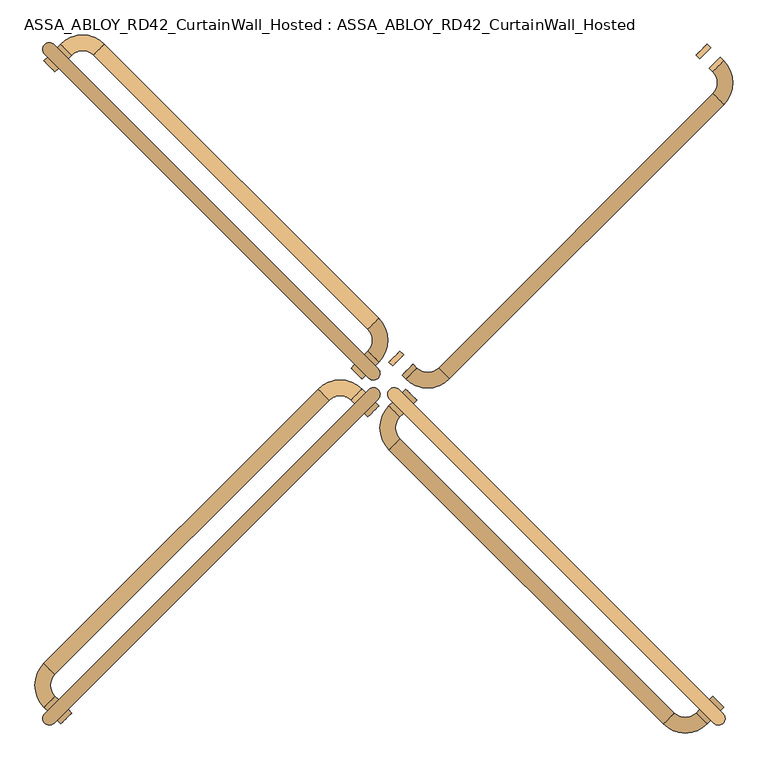
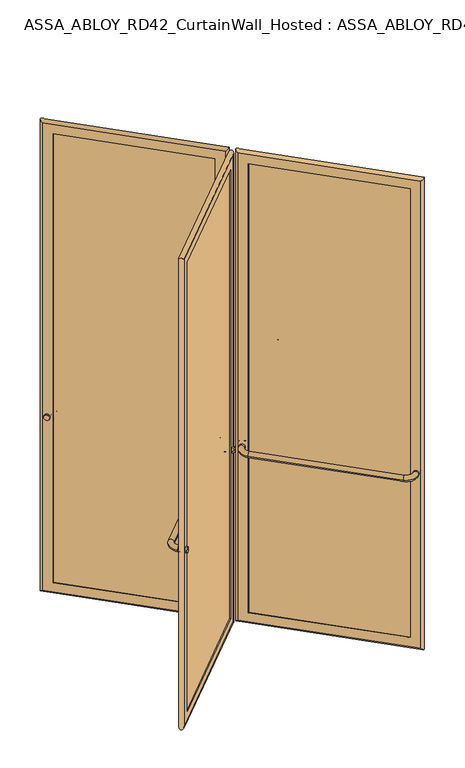
"""IFC4 building model written with IfcOpenShell, lengths in millimetres: door geometry, ASSA_ABLOY_RD42_CurtainWall_Hosted : ASSA_ABLOY_RD42_CurtainWall_Hosted."""

from ifc_helpers import new_model, si_unit, point, frame, origin, origin_2d, place, context, project, spatial, polyline, circle_curve, ellipse_curve, trimmed, segment, composite_curve, outline, extrude, source, transform, mapped, element, save
from ifc_brep_helpers import plane_surface, cylinder_surface, revolved_surface, advanced_brep


def assa_abloy_rd42_curtainwall_hosted_assa_abloy_rd42_0b4f3f18(model_context):
    return source(origin(), model_context, "Body", "SolidModel", [
        extrude(outline(composite_curve([segment(trimmed(circle_curve(origin_2d(), 15.0), [point((0.0, 15.0))], [point((0.0, -15.0))], False, "CARTESIAN"), True, "CONTINUOUS"), segment(trimmed(circle_curve(origin_2d(), 15.0), [point((0.0, -15.0))], [point((0.0, 15.0))], False, "CARTESIAN"), True, "CONTINUOUS")], self_intersect=False)), frame((642.0529573, -623.668181, 1050.0), z_axis=(0.7071067811865496, 0.7071067811865455, 0.0), x_axis=(0.0, 0.0, 1.0)), (0.0, 0.0, 1.0), 10.0),
        extrude(outline(composite_curve([segment(trimmed(circle_curve(origin_2d(), 15.0), [point((0.0, 15.0))], [point((0.0, -15.0))], False, "CARTESIAN"), True, "CONTINUOUS"), segment(trimmed(circle_curve(origin_2d(), 15.0), [point((0.0, -15.0))], [point((0.0, 15.0))], False, "CARTESIAN"), True, "CONTINUOUS")], self_intersect=False)), frame((45.9619408, -27.5771645, 1050.0), z_axis=(0.7071067811865496, 0.7071067811865455, 0.0), x_axis=(0.0, 0.0, 1.0)), (0.0, 0.0, 1.0), 10.0),
        advanced_brep(
        [(16.9705627, -35.3553391, 1050.0), (38.1837662, -56.5685425, 1050.0), (9.8994949, -42.4264069, 1050.0), (31.1126984, -63.6396103, 1050.0), (31.1126984, -106.0660172, 1050.0), (9.8994949, -127.2792206, 1050.0), (542.3509012, -659.7306268, 1050.0), (563.5641046, -638.5174234, 1050.0), (605.9905115, -638.5174234, 1050.0), (627.2037149, -659.7306268, 1050.0), (634.2747827, -652.659559, 1050.0), (613.0615793, -631.4463556, 1050.0)],
        [
            (0, 1, circle_curve(frame((27.5771645, -45.9619408, 1050.0), z_axis=(0.7071067811865497, 0.7071067811865456, 0.0), x_axis=(0.7071067811865456, -0.7071067811865497, 0.0)), 15.0)),
            (1, 0, circle_curve(frame((27.5771645, -45.9619408, 1050.0), z_axis=(0.7071067811865497, 0.7071067811865456, 0.0), x_axis=(0.7071067811865456, -0.7071067811865497, 0.0)), 15.0)),
            (0, 2),
            (2, 3, circle_curve(frame((20.5060967, -53.0330086, 1050.0), z_axis=(0.7071067811865497, 0.7071067811865456, 0.0), x_axis=(0.7071067811865456, -0.7071067811865497, 0.0)), 15.0)),
            (3, 1),
            (3, 2, circle_curve(frame((20.5060967, -53.0330086, 1050.0), z_axis=(0.7071067811865497, 0.7071067811865456, 0.0), x_axis=(0.7071067811865456, -0.7071067811865497, 0.0)), 15.0)),
            (4, 3, circle_curve(frame((52.3259018, -84.8528137, 1050.0), z_axis=(0.0, 0.0, -1.0), x_axis=(-0.707106781186541, 0.7071067811865542, 0.0)), 30.0)),
            (2, 5, circle_curve(frame((52.3259018, -84.8528137, 1050.0), z_axis=(0.0, 0.0, 1.0), x_axis=(-0.707106781186541, 0.7071067811865542, 0.0)), 60.0)),
            (5, 4, circle_curve(frame((20.5060967, -116.6726189, 1050.0), z_axis=(-0.7071067811865127, 0.7071067811865825, 0.0), x_axis=(0.7071067811865825, 0.7071067811865127, 0.0)), 15.0)),
            (4, 5, circle_curve(frame((20.5060967, -116.6726189, 1050.0), z_axis=(-0.707106781186487, 0.7071067811866083, 0.0), x_axis=(0.7071067811866083, 0.707106781186487, 0.0)), 15.0)),
            (5, 6),
            (6, 7, circle_curve(frame((552.9575029, -649.1240251, 1050.0), z_axis=(-0.7071067811865456, 0.7071067811865497, 0.0), x_axis=(0.7071067811865497, 0.7071067811865456, 0.0)), 15.0)),
            (7, 4),
            (7, 6, circle_curve(frame((552.9575029, -649.1240251, 1050.0), z_axis=(-0.7071067811865456, 0.7071067811865497, 0.0), x_axis=(0.7071067811865497, 0.7071067811865456, 0.0)), 15.0)),
            (8, 7, circle_curve(frame((584.777308, -617.30422, 1050.0), z_axis=(0.0, 0.0, -1.0), x_axis=(-0.7071067811865539, -0.7071067811865414, 0.0)), 30.0)),
            (6, 9, circle_curve(frame((584.777308, -617.30422, 1050.0), z_axis=(0.0, 0.0, 1.0), x_axis=(-0.7071067811865539, -0.7071067811865414, 0.0)), 60.0)),
            (9, 8, circle_curve(frame((616.5971132, -649.1240251, 1050.0), z_axis=(-0.7071067811865512, -0.707106781186544, 0.0), x_axis=(-0.707106781186544, 0.7071067811865512, 0.0)), 15.0)),
            (8, 9, circle_curve(frame((616.5971132, -649.1240251, 1050.0), z_axis=(-0.707106781186553, -0.7071067811865422, 0.0), x_axis=(-0.7071067811865422, 0.707106781186553, 0.0)), 15.0)),
            (10, 11, circle_curve(frame((623.668181, -642.0529573, 1050.0), z_axis=(0.7071067811865497, 0.7071067811865456, 0.0), x_axis=(-0.7071067811865456, 0.7071067811865497, 0.0)), 15.0)),
            (11, 10, circle_curve(frame((623.668181, -642.0529573, 1050.0), z_axis=(0.7071067811865497, 0.7071067811865456, 0.0), x_axis=(-0.7071067811865456, 0.7071067811865497, 0.0)), 15.0)),
            (9, 10),
            (11, 8),
        ],
        [
            plane_surface(frame((27.5771645, -45.9619408, 1050.0), z_axis=(0.7071067811865496, 0.7071067811865455, 0.0), x_axis=(0.0, 0.0, 1.0))),
            cylinder_surface(frame((27.5771645, -45.9619408, 1050.0), z_axis=(0.7071067811865497, 0.7071067811865456, 0.0), x_axis=(0.7071067811865456, -0.7071067811865497, 0.0)), 15.0),
            revolved_surface(trimmed(ellipse_curve(frame((20.5060967, -53.0330086, 1050.0), z_axis=(0.7071067811865542, 0.707106781186541, 0.0), x_axis=(0.707106781186541, -0.7071067811865542, 0.0)), 15.0, 15.0), [point((9.8994949, -42.4264069, 1050.0))], [point((31.1126984, -63.6396103, 1050.0))], True, "CARTESIAN"), (52.3259018, -84.8528137, 1050.0), (0.0, 0.0, 1.0)),
            revolved_surface(trimmed(ellipse_curve(frame((20.5060967, -53.0330086, 1050.0), z_axis=(0.7071067811865542, 0.707106781186541, 0.0), x_axis=(0.707106781186541, -0.7071067811865542, 0.0)), 15.0, 15.0), [point((31.1126984, -63.6396103, 1050.0))], [point((9.8994949, -42.4264069, 1050.0))], True, "CARTESIAN"), (52.3259018, -84.8528137, 1050.0), (0.0, 0.0, 1.0)),
            cylinder_surface(frame((20.5060967, -116.6726189, 1050.0), z_axis=(-0.7071067811865456, 0.7071067811865497, 0.0), x_axis=(0.7071067811865497, 0.7071067811865456, 0.0)), 15.0),
            revolved_surface(trimmed(ellipse_curve(frame((552.9575029, -649.1240251, 1050.0), z_axis=(-0.7071067811865414, 0.7071067811865539, 0.0), x_axis=(0.7071067811865539, 0.7071067811865414, 0.0)), 15.0, 15.0), [point((542.3509012, -659.7306268, 1050.0))], [point((563.5641046, -638.5174234, 1050.0))], True, "CARTESIAN"), (584.777308, -617.30422, 1050.0), (0.0, 0.0, 1.0)),
            revolved_surface(trimmed(ellipse_curve(frame((552.9575029, -649.1240251, 1050.0), z_axis=(-0.7071067811865414, 0.7071067811865539, 0.0), x_axis=(0.7071067811865539, 0.7071067811865414, 0.0)), 15.0, 15.0), [point((563.5641046, -638.5174234, 1050.0))], [point((542.3509012, -659.7306268, 1050.0))], True, "CARTESIAN"), (584.777308, -617.30422, 1050.0), (0.0, 0.0, 1.0)),
            plane_surface(frame((623.668181, -642.0529573, 1050.0), z_axis=(0.7071067811865496, 0.7071067811865455, 0.0), x_axis=(0.0, 0.0, 1.0))),
            cylinder_surface(frame((616.5971132, -649.1240251, 1050.0), z_axis=(-0.7071067811865497, -0.7071067811865456, 0.0), x_axis=(-0.7071067811865456, 0.7071067811865497, 0.0)), 15.0),
        ],
        [
            (0, [[1, 2]]),
            (1, [[-1, 3, 4, 5]]),
            (1, [[-2, -5, 6, -3]]),
            (2, [[7, -4, 8, 9]]),
            (3, [[-8, -6, -7, 10]]),
            (4, [[-9, 11, 12, 13]]),
            (4, [[-10, -13, 14, -11]]),
            (5, [[15, -12, 16, 17]]),
            (6, [[-16, -14, -15, 18]]),
            (7, [[19, 20]]),
            (8, [[-17, 21, -20, 22]]),
            (8, [[-18, -22, -19, -21]]),
        ],
    ),
        advanced_brep(
        [(605.2834047, -619.4255403, 105.0), (603.1620844, -621.5468607, 105.0), (603.1620844, -621.5468607, 2673.0), (605.2834047, -619.4255403, 2673.0), (633.5676759, -619.4255403, 85.0), (619.4255403, -633.5676759, 85.0), (619.4255403, -633.5676759, 2693.0), (633.5676759, -619.4255403, 2693.0), (621.5468607, -603.1620844, 105.0), (619.4255403, -605.2834047, 105.0), (619.4255403, -605.2834047, 2673.0), (621.5468607, -603.1620844, 2673.0), (639.931637, -658.3164133, 53.0), (658.3164133, -639.931637, 53.0), (658.3164133, -639.931637, 2725.0), (639.931637, -658.3164133, 2725.0), (48.0832611, -66.4680374, 2673.0), (50.2045815, -64.3467171, 2673.0), (36.0624458, -50.2045815, 2693.0), (50.2045815, -36.0624458, 2693.0), (64.3467171, -50.2045815, 2673.0), (66.4680374, -48.0832611, 2673.0), (29.6984848, -11.3137085, 2725.0), (11.3137085, -29.6984848, 2725.0), (48.0832611, -66.4680374, 105.0), (50.2045815, -64.3467171, 105.0), (36.0624458, -50.2045815, 85.0), (50.2045815, -36.0624458, 85.0), (64.3467171, -50.2045815, 105.0), (66.4680374, -48.0832611, 105.0), (29.6984848, -11.3137085, 53.0), (11.3137085, -29.6984848, 53.0)],
        [
            (0, 1),
            (1, 2),
            (2, 3),
            (3, 0),
            (4, 5),
            (5, 6),
            (6, 7),
            (7, 4),
            (8, 9),
            (9, 10),
            (10, 11),
            (11, 8),
            (12, 13, ellipse_curve(frame((649.1240251, -649.1240251, 53.0), z_axis=(0.4999999999999917, -0.5000000000000084, 0.7071067811865475), x_axis=(0.5000000000000054, -0.4999999999999945, -0.7071067811865476)), 18.3847763, 13.0)),
            (13, 14),
            (14, 15, ellipse_curve(frame((649.1240251, -649.1240251, 2725.0), z_axis=(0.5000000000000054, -0.49999999999999456, -0.7071067811865475), x_axis=(-0.4999999999999915, 0.5000000000000083, -0.7071067811865476)), 18.3847763, 13.0)),
            (15, 12),
            (2, 16),
            (16, 17),
            (17, 3),
            (6, 18),
            (18, 19),
            (19, 7),
            (10, 20),
            (20, 21),
            (21, 11),
            (14, 22),
            (22, 23, ellipse_curve(frame((20.5060967, -20.5060967, 2725.0), z_axis=(0.4999999999999917, -0.5000000000000084, 0.7071067811865475), x_axis=(0.5000000000000054, -0.4999999999999945, -0.7071067811865476)), 18.3847763, 13.0)),
            (23, 15),
            (16, 24),
            (24, 25),
            (25, 17),
            (18, 26),
            (26, 27),
            (27, 19),
            (20, 28),
            (28, 29),
            (29, 21),
            (22, 30),
            (30, 31, ellipse_curve(frame((20.5060967, -20.5060967, 53.0), z_axis=(-0.5000000000000054, 0.49999999999999456, 0.7071067811865475), x_axis=(0.4999999999999915, -0.5000000000000083, 0.7071067811865476)), 18.3847763, 13.0)),
            (31, 23),
            (24, 1),
            (0, 25),
            (5, 26),
            (4, 27),
            (9, 28),
            (8, 29),
            (13, 30),
            (12, 31),
        ],
        [
            plane_surface(frame((603.1620844, -621.5468607, 105.0), z_axis=(-0.7071067811865437, 0.7071067811865513, 0.0), x_axis=(0.0, 0.0, 1.0))),
            plane_surface(frame((619.4255403, -633.5676759, 85.0), z_axis=(-0.7071067811865452, 0.7071067811865498, 0.0), x_axis=(0.0, 0.0, 1.0))),
            plane_surface(frame((619.4255403, -605.2834047, 105.0), z_axis=(-0.7071067811865437, 0.7071067811865513, 0.0), x_axis=(0.0, 0.0, 1.0))),
            cylinder_surface(frame((649.1240251, -649.1240251, 40.0), z_axis=(0.0, 0.0, -1.0), x_axis=(-0.7071067811865456, 0.7071067811865497, 0.0)), 13.0),
            plane_surface(frame((603.1620844, -621.5468607, 2673.0), z_axis=(0.0, 0.0, -1.0), x_axis=(-0.7071067811865455, 0.7071067811865496, 0.0))),
            plane_surface(frame((619.4255403, -633.5676759, 2693.0), z_axis=(0.0, 0.0, -1.0), x_axis=(-0.7071067811865455, 0.7071067811865496, 0.0))),
            plane_surface(frame((619.4255403, -605.2834047, 2673.0), z_axis=(0.0, 0.0, -1.0), x_axis=(-0.7071067811865455, 0.7071067811865496, 0.0))),
            cylinder_surface(frame((658.3164133, -658.3164133, 2725.0), z_axis=(0.7071067811865456, -0.7071067811865497, 0.0), x_axis=(0.0, 0.0, -1.0)), 13.0),
            plane_surface(frame((48.0832611, -66.4680374, 2673.0), z_axis=(0.7071067811865472, -0.7071067811865478, 0.0), x_axis=(0.0, 0.0, -1.0))),
            plane_surface(frame((36.0624458, -50.2045815, 2693.0), z_axis=(0.7071067811865457, -0.7071067811865493, 0.0), x_axis=(0.0, 0.0, -1.0))),
            plane_surface(frame((64.3467171, -50.2045815, 2673.0), z_axis=(0.7071067811865472, -0.7071067811865478, 0.0), x_axis=(0.0, 0.0, -1.0))),
            cylinder_surface(frame((20.5060967, -20.5060967, 2738.0), z_axis=(0.0, 0.0, 1.0), x_axis=(0.7071067811865456, -0.7071067811865497, 0.0)), 13.0),
            plane_surface(frame((48.0832611, -66.4680374, 105.0), z_axis=(0.0, 0.0, 1.0), x_axis=(0.7071067811865455, -0.7071067811865496, 0.0))),
            plane_surface(frame((50.2045815, -64.3467171, 105.0), z_axis=(0.7071067811865496, 0.7071067811865455, 0.0), x_axis=(0.7071067811865455, -0.7071067811865496, 0.0))),
            plane_surface(frame((36.0624458, -50.2045815, 85.0), z_axis=(0.0, 0.0, 1.0), x_axis=(0.7071067811865455, -0.7071067811865496, 0.0))),
            plane_surface(frame((50.2045815, -36.0624458, 85.0), z_axis=(-0.7071067811865496, -0.7071067811865455, 0.0), x_axis=(0.7071067811865455, -0.7071067811865496, 0.0))),
            plane_surface(frame((64.3467171, -50.2045815, 105.0), z_axis=(0.0, 0.0, 1.0), x_axis=(0.7071067811865455, -0.7071067811865496, 0.0))),
            plane_surface(frame((66.4680374, -48.0832611, 105.0), z_axis=(0.7071067811865496, 0.7071067811865455, 0.0), x_axis=(0.7071067811865455, -0.7071067811865496, 0.0))),
            cylinder_surface(frame((11.3137085, -11.3137085, 53.0), z_axis=(-0.7071067811865456, 0.7071067811865497, 0.0), x_axis=(0.0, 0.0, 1.0)), 13.0),
            plane_surface(frame((11.3137085, -29.6984848, 53.0), z_axis=(-0.7071067811865496, -0.7071067811865455, 0.0), x_axis=(0.7071067811865455, -0.7071067811865496, 0.0))),
        ],
        [
            (0, [[1, 2, 3, 4]]),
            (1, [[5, 6, 7, 8]]),
            (2, [[9, 10, 11, 12]]),
            (3, [[13, 14, 15, 16]]),
            (4, [[-3, 17, 18, 19]]),
            (5, [[-7, 20, 21, 22]]),
            (6, [[-11, 23, 24, 25]]),
            (7, [[-15, 26, 27, 28]]),
            (8, [[-18, 29, 30, 31]]),
            (9, [[-21, 32, 33, 34]]),
            (10, [[-24, 35, 36, 37]]),
            (11, [[-27, 38, 39, 40]]),
            (12, [[-30, 41, -1, 42]]),
            (13, [[43, -32, -20, -6], [-19, -31, -42, -4]]),
            (14, [[-33, -43, -5, 44]]),
            (15, [[-22, -34, -44, -8], [45, -35, -23, -10]]),
            (16, [[-36, -45, -9, 46]]),
            (17, [[47, -38, -26, -14], [-25, -37, -46, -12]]),
            (18, [[-39, -47, -13, 48]]),
            (19, [[-28, -40, -48, -16], [-41, -29, -17, -2]]),
        ],
    ),
        extrude(outline(polyline([(630.032142, -622.9610742), (622.9610742, -630.032142), (39.5979797, -46.6690476), (46.6690476, -39.5979797), (630.032142, -622.9610742)])), frame((0.0, 0.0, 85.0), z_axis=(0.0, 0.0, 1.0), x_axis=(1.0, 0.0, 0.0)), (0.0, 0.0, 1.0), 2608.0),
        extrude(outline(composite_curve([segment(trimmed(circle_curve(origin_2d(), 15.0), [point((0.0, -15.0))], [point((0.0, 15.0))], False, "CARTESIAN"), True, "CONTINUOUS"), segment(trimmed(circle_curve(origin_2d(), 15.0), [point((0.0, 15.0))], [point((0.0, -15.0))], False, "CARTESIAN"), True, "CONTINUOUS")], self_intersect=False)), frame((-616.5971132, -649.1240251, 1050.0), z_axis=(-0.7071067811865447, 0.7071067811865503, 0.0), x_axis=(0.0, 0.0, 1.0)), (0.0, 0.0, 1.0), 10.0),
        extrude(outline(composite_curve([segment(trimmed(circle_curve(origin_2d(), 15.0), [point((0.0, -15.0))], [point((0.0, 15.0))], False, "CARTESIAN"), True, "CONTINUOUS"), segment(trimmed(circle_curve(origin_2d(), 15.0), [point((0.0, 15.0))], [point((0.0, -15.0))], False, "CARTESIAN"), True, "CONTINUOUS")], self_intersect=False)), frame((-20.5060967, -53.0330086, 1050.0), z_axis=(-0.7071067811865447, 0.7071067811865503, 0.0), x_axis=(0.0, 0.0, 1.0)), (0.0, 0.0, 1.0), 10.0),
        advanced_brep(
        [(-35.3553391, -16.9705627, 1050.0), (-56.5685425, -38.1837662, 1050.0), (-42.4264069, -9.8994949, 1050.0), (-63.6396103, -31.1126984, 1050.0), (-106.0660172, -31.1126984, 1050.0), (-127.2792206, -9.8994949, 1050.0), (-659.7306268, -542.3509012, 1050.0), (-638.5174234, -563.5641046, 1050.0), (-638.5174234, -605.9905115, 1050.0), (-659.7306268, -627.2037149, 1050.0), (-652.659559, -634.2747827, 1050.0), (-631.4463556, -613.0615793, 1050.0)],
        [
            (0, 1, circle_curve(frame((-45.9619408, -27.5771645, 1050.0), z_axis=(0.7071067811865447, -0.7071067811865503, 0.0), x_axis=(-0.7071067811865503, -0.7071067811865447, 0.0)), 15.0)),
            (1, 0, circle_curve(frame((-45.9619408, -27.5771645, 1050.0), z_axis=(0.7071067811865447, -0.7071067811865503, 0.0), x_axis=(-0.7071067811865503, -0.7071067811865447, 0.0)), 15.0)),
            (0, 2),
            (2, 3, circle_curve(frame((-53.0330086, -20.5060967, 1050.0), z_axis=(0.7071067811865447, -0.7071067811865503, 0.0), x_axis=(-0.7071067811865503, -0.7071067811865447, 0.0)), 15.0)),
            (3, 1),
            (3, 2, circle_curve(frame((-53.0330086, -20.5060967, 1050.0), z_axis=(0.7071067811865447, -0.7071067811865503, 0.0), x_axis=(-0.7071067811865503, -0.7071067811865447, 0.0)), 15.0)),
            (4, 3, circle_curve(frame((-84.8528137, -52.3259018, 1050.0), z_axis=(0.0, 0.0, -1.0), x_axis=(0.7071067811865549, 0.7071067811865401, 0.0)), 30.0)),
            (2, 5, circle_curve(frame((-84.8528137, -52.3259018, 1050.0), z_axis=(0.0, 0.0, 1.0), x_axis=(0.7071067811865549, 0.7071067811865401, 0.0)), 60.0)),
            (5, 4, circle_curve(frame((-116.6726189, -20.5060967, 1050.0), z_axis=(0.7071067811865832, 0.7071067811865118, 0.0), x_axis=(0.7071067811865118, -0.7071067811865832, 0.0)), 15.0)),
            (4, 5, circle_curve(frame((-116.6726189, -20.5060967, 1050.0), z_axis=(0.707106781186609, 0.7071067811864861, 0.0), x_axis=(0.7071067811864861, -0.707106781186609, 0.0)), 15.0)),
            (5, 6),
            (6, 7, circle_curve(frame((-649.1240251, -552.9575029, 1050.0), z_axis=(0.7071067811865503, 0.7071067811865447, 0.0), x_axis=(0.7071067811865447, -0.7071067811865503, 0.0)), 15.0)),
            (7, 4),
            (7, 6, circle_curve(frame((-649.1240251, -552.9575029, 1050.0), z_axis=(0.7071067811865503, 0.7071067811865447, 0.0), x_axis=(0.7071067811865447, -0.7071067811865503, 0.0)), 15.0)),
            (8, 7, circle_curve(frame((-617.30422, -584.777308, 1050.0), z_axis=(0.0, 0.0, -1.0), x_axis=(-0.7071067811865405, 0.7071067811865546, 0.0)), 30.0)),
            (6, 9, circle_curve(frame((-617.30422, -584.777308, 1050.0), z_axis=(0.0, 0.0, 1.0), x_axis=(-0.7071067811865405, 0.7071067811865546, 0.0)), 60.0)),
            (9, 8, circle_curve(frame((-649.1240251, -616.5971132, 1050.0), z_axis=(-0.7071067811865431, 0.7071067811865519, 0.0), x_axis=(0.7071067811865519, 0.7071067811865431, 0.0)), 15.0)),
            (8, 9, circle_curve(frame((-649.1240251, -616.5971132, 1050.0), z_axis=(-0.7071067811865414, 0.7071067811865537, 0.0), x_axis=(0.7071067811865537, 0.7071067811865414, 0.0)), 15.0)),
            (10, 11, circle_curve(frame((-642.0529573, -623.668181, 1050.0), z_axis=(0.7071067811865447, -0.7071067811865503, 0.0), x_axis=(0.7071067811865503, 0.7071067811865447, 0.0)), 15.0)),
            (11, 10, circle_curve(frame((-642.0529573, -623.668181, 1050.0), z_axis=(0.7071067811865447, -0.7071067811865503, 0.0), x_axis=(0.7071067811865503, 0.7071067811865447, 0.0)), 15.0)),
            (9, 10),
            (11, 8),
        ],
        [
            plane_surface(frame((-45.9619408, -27.5771645, 1050.0), z_axis=(0.7071067811865447, -0.7071067811865503, 0.0), x_axis=(0.0, 0.0, 1.0))),
            cylinder_surface(frame((-45.9619408, -27.5771645, 1050.0), z_axis=(0.7071067811865447, -0.7071067811865503, 0.0), x_axis=(-0.7071067811865503, -0.7071067811865447, 0.0)), 15.0),
            revolved_surface(trimmed(ellipse_curve(frame((-53.0330086, -20.5060967, 1050.0), z_axis=(0.7071067811865401, -0.7071067811865549, 0.0), x_axis=(-0.7071067811865549, -0.7071067811865401, 0.0)), 15.0, 15.0), [point((-42.4264069, -9.8994949, 1050.0))], [point((-63.6396103, -31.1126984, 1050.0))], True, "CARTESIAN"), (-84.8528137, -52.3259018, 1050.0), (0.0, 0.0, 1.0)),
            revolved_surface(trimmed(ellipse_curve(frame((-53.0330086, -20.5060967, 1050.0), z_axis=(0.7071067811865401, -0.7071067811865549, 0.0), x_axis=(-0.7071067811865549, -0.7071067811865401, 0.0)), 15.0, 15.0), [point((-63.6396103, -31.1126984, 1050.0))], [point((-42.4264069, -9.8994949, 1050.0))], True, "CARTESIAN"), (-84.8528137, -52.3259018, 1050.0), (0.0, 0.0, 1.0)),
            cylinder_surface(frame((-116.6726189, -20.5060967, 1050.0), z_axis=(0.7071067811865503, 0.7071067811865447, 0.0), x_axis=(0.7071067811865447, -0.7071067811865503, 0.0)), 15.0),
            revolved_surface(trimmed(ellipse_curve(frame((-649.1240251, -552.9575029, 1050.0), z_axis=(0.7071067811865546, 0.7071067811865405, 0.0), x_axis=(0.7071067811865405, -0.7071067811865546, 0.0)), 15.0, 15.0), [point((-659.7306268, -542.3509012, 1050.0))], [point((-638.5174234, -563.5641046, 1050.0))], True, "CARTESIAN"), (-617.30422, -584.777308, 1050.0), (0.0, 0.0, 1.0)),
            revolved_surface(trimmed(ellipse_curve(frame((-649.1240251, -552.9575029, 1050.0), z_axis=(0.7071067811865546, 0.7071067811865405, 0.0), x_axis=(0.7071067811865405, -0.7071067811865546, 0.0)), 15.0, 15.0), [point((-638.5174234, -563.5641046, 1050.0))], [point((-659.7306268, -542.3509012, 1050.0))], True, "CARTESIAN"), (-617.30422, -584.777308, 1050.0), (0.0, 0.0, 1.0)),
            plane_surface(frame((-642.0529573, -623.668181, 1050.0), z_axis=(0.7071067811865447, -0.7071067811865503, 0.0), x_axis=(0.0, 0.0, 1.0))),
            cylinder_surface(frame((-649.1240251, -616.5971132, 1050.0), z_axis=(-0.7071067811865447, 0.7071067811865503, 0.0), x_axis=(0.7071067811865503, 0.7071067811865447, 0.0)), 15.0),
        ],
        [
            (0, [[1, 2]]),
            (1, [[-1, 3, 4, 5]]),
            (1, [[-2, -5, 6, -3]]),
            (2, [[7, -4, 8, 9]]),
            (3, [[-8, -6, -7, 10]]),
            (4, [[-9, 11, 12, 13]]),
            (4, [[-10, -13, 14, -11]]),
            (5, [[15, -12, 16, 17]]),
            (6, [[-16, -14, -15, 18]]),
            (7, [[19, 20]]),
            (8, [[-17, 21, -20, 22]]),
            (8, [[-18, -22, -19, -21]]),
        ],
    ),
        advanced_brep(
        [(-619.4255403, -605.2834047, 105.0), (-621.5468607, -603.1620844, 105.0), (-621.5468607, -603.1620844, 2673.0), (-619.4255403, -605.2834047, 2673.0), (-619.4255403, -633.5676759, 85.0), (-633.5676759, -619.4255403, 85.0), (-633.5676759, -619.4255403, 2693.0), (-619.4255403, -633.5676759, 2693.0), (-603.1620844, -621.5468607, 105.0), (-605.2834047, -619.4255403, 105.0), (-605.2834047, -619.4255403, 2673.0), (-603.1620844, -621.5468607, 2673.0), (-658.3164133, -639.931637, 53.0), (-639.931637, -658.3164133, 53.0), (-639.931637, -658.3164133, 2725.0), (-658.3164133, -639.931637, 2725.0), (-66.4680374, -48.0832611, 2673.0), (-64.3467171, -50.2045815, 2673.0), (-50.2045815, -36.0624458, 2693.0), (-36.0624458, -50.2045815, 2693.0), (-50.2045815, -64.3467171, 2673.0), (-48.0832611, -66.4680374, 2673.0), (-11.3137085, -29.6984848, 2725.0), (-29.6984848, -11.3137085, 2725.0), (-66.4680374, -48.0832611, 105.0), (-64.3467171, -50.2045815, 105.0), (-50.2045815, -36.0624458, 85.0), (-36.0624458, -50.2045815, 85.0), (-50.2045815, -64.3467171, 105.0), (-48.0832611, -66.4680374, 105.0), (-11.3137085, -29.6984848, 53.0), (-29.6984848, -11.3137085, 53.0)],
        [
            (0, 1),
            (1, 2),
            (2, 3),
            (3, 0),
            (4, 5),
            (5, 6),
            (6, 7),
            (7, 4),
            (8, 9),
            (9, 10),
            (10, 11),
            (11, 8),
            (12, 13, ellipse_curve(frame((-649.1240251, -649.1240251, 53.0), z_axis=(-0.5000000000000089, -0.49999999999999106, 0.7071067811865475), x_axis=(-0.49999999999999495, -0.5000000000000048, -0.7071067811865476)), 18.3847763, 13.0)),
            (13, 14),
            (14, 15, ellipse_curve(frame((-649.1240251, -649.1240251, 2725.0), z_axis=(-0.49999999999999506, -0.5000000000000049, -0.7071067811865475), x_axis=(0.5000000000000088, 0.49999999999999095, -0.7071067811865476)), 18.3847763, 13.0)),
            (15, 12),
            (2, 16),
            (16, 17),
            (17, 3),
            (6, 18),
            (18, 19),
            (19, 7),
            (10, 20),
            (20, 21),
            (21, 11),
            (14, 22),
            (22, 23, ellipse_curve(frame((-20.5060967, -20.5060967, 2725.0), z_axis=(-0.5000000000000089, -0.49999999999999106, 0.7071067811865475), x_axis=(-0.4999999999999951, -0.5000000000000049, -0.7071067811865474)), 18.3847763, 13.0)),
            (23, 15),
            (16, 24),
            (24, 25),
            (25, 17),
            (18, 26),
            (26, 27),
            (27, 19),
            (20, 28),
            (28, 29),
            (29, 21),
            (22, 30),
            (30, 31, ellipse_curve(frame((-20.5060967, -20.5060967, 53.0), z_axis=(0.49999999999999506, 0.5000000000000049, 0.7071067811865475), x_axis=(-0.5000000000000088, -0.49999999999999095, 0.7071067811865476)), 18.3847763, 13.0)),
            (31, 23),
            (24, 1),
            (0, 25),
            (5, 26),
            (4, 27),
            (9, 28),
            (8, 29),
            (13, 30),
            (12, 31),
        ],
        [
            plane_surface(frame((-621.5468607, -603.1620844, 105.0), z_axis=(0.7071067811865521, 0.7071067811865429, 0.0), x_axis=(0.0, 0.0, 1.0))),
            plane_surface(frame((-633.5676759, -619.4255403, 85.0), z_axis=(0.7071067811865506, 0.7071067811865445, 0.0), x_axis=(0.0, 0.0, 1.0))),
            plane_surface(frame((-605.2834047, -619.4255403, 105.0), z_axis=(0.7071067811865521, 0.7071067811865429, 0.0), x_axis=(0.0, 0.0, 1.0))),
            cylinder_surface(frame((-649.1240251, -649.1240251, 40.0), z_axis=(0.0, 0.0, -1.0), x_axis=(0.7071067811865503, 0.7071067811865447, 0.0)), 13.0),
            plane_surface(frame((-621.5468607, -603.1620844, 2673.0), z_axis=(0.0, 0.0, -1.0), x_axis=(0.7071067811865503, 0.7071067811865447, 0.0))),
            plane_surface(frame((-633.5676759, -619.4255403, 2693.0), z_axis=(0.0, 0.0, -1.0), x_axis=(0.7071067811865503, 0.7071067811865447, 0.0))),
            plane_surface(frame((-605.2834047, -619.4255403, 2673.0), z_axis=(0.0, 0.0, -1.0), x_axis=(0.7071067811865503, 0.7071067811865447, 0.0))),
            cylinder_surface(frame((-658.3164133, -658.3164133, 2725.0), z_axis=(-0.7071067811865503, -0.7071067811865447, 0.0), x_axis=(0.0, 0.0, -1.0)), 13.0),
            plane_surface(frame((-66.4680374, -48.0832611, 2673.0), z_axis=(-0.7071067811865486, -0.7071067811865465, 0.0), x_axis=(0.0, 0.0, -1.0))),
            plane_surface(frame((-50.2045815, -36.0624458, 2693.0), z_axis=(-0.7071067811865501, -0.7071067811865449, 0.0), x_axis=(0.0, 0.0, -1.0))),
            plane_surface(frame((-50.2045815, -64.3467171, 2673.0), z_axis=(-0.7071067811865486, -0.7071067811865465, 0.0), x_axis=(0.0, 0.0, -1.0))),
            cylinder_surface(frame((-20.5060967, -20.5060967, 2738.0), z_axis=(0.0, 0.0, 1.0), x_axis=(-0.7071067811865503, -0.7071067811865447, 0.0)), 13.0),
            plane_surface(frame((-66.4680374, -48.0832611, 105.0), z_axis=(0.0, 0.0, 1.0), x_axis=(-0.7071067811865503, -0.7071067811865447, 0.0))),
            plane_surface(frame((-64.3467171, -50.2045815, 105.0), z_axis=(0.7071067811865447, -0.7071067811865503, 0.0), x_axis=(-0.7071067811865503, -0.7071067811865447, 0.0))),
            plane_surface(frame((-50.2045815, -36.0624458, 85.0), z_axis=(0.0, 0.0, 1.0), x_axis=(-0.7071067811865503, -0.7071067811865447, 0.0))),
            plane_surface(frame((-36.0624458, -50.2045815, 85.0), z_axis=(-0.7071067811865447, 0.7071067811865503, 0.0), x_axis=(-0.7071067811865503, -0.7071067811865447, 0.0))),
            plane_surface(frame((-50.2045815, -64.3467171, 105.0), z_axis=(0.0, 0.0, 1.0), x_axis=(-0.7071067811865503, -0.7071067811865447, 0.0))),
            plane_surface(frame((-48.0832611, -66.4680374, 105.0), z_axis=(0.7071067811865447, -0.7071067811865503, 0.0), x_axis=(-0.7071067811865503, -0.7071067811865447, 0.0))),
            cylinder_surface(frame((-11.3137085, -11.3137085, 53.0), z_axis=(0.7071067811865503, 0.7071067811865447, 0.0), x_axis=(0.0, 0.0, 1.0)), 13.0),
            plane_surface(frame((-29.6984848, -11.3137085, 53.0), z_axis=(-0.7071067811865447, 0.7071067811865503, 0.0), x_axis=(-0.7071067811865503, -0.7071067811865447, 0.0))),
        ],
        [
            (0, [[1, 2, 3, 4]]),
            (1, [[5, 6, 7, 8]]),
            (2, [[9, 10, 11, 12]]),
            (3, [[13, 14, 15, 16]]),
            (4, [[-3, 17, 18, 19]]),
            (5, [[-7, 20, 21, 22]]),
            (6, [[-11, 23, 24, 25]]),
            (7, [[-15, 26, 27, 28]]),
            (8, [[-18, 29, 30, 31]]),
            (9, [[-21, 32, 33, 34]]),
            (10, [[-24, 35, 36, 37]]),
            (11, [[-27, 38, 39, 40]]),
            (12, [[-30, 41, -1, 42]]),
            (13, [[43, -32, -20, -6], [-19, -31, -42, -4]]),
            (14, [[-33, -43, -5, 44]]),
            (15, [[-22, -34, -44, -8], [45, -35, -23, -10]]),
            (16, [[-36, -45, -9, 46]]),
            (17, [[47, -38, -26, -14], [-25, -37, -46, -12]]),
            (18, [[-39, -47, -13, 48]]),
            (19, [[-28, -40, -48, -16], [-41, -29, -17, -2]]),
        ],
    ),
        extrude(outline(polyline([(-622.9610742, -630.032142), (-630.032142, -622.9610742), (-46.6690476, -39.5979797), (-39.5979797, -46.6690476), (-622.9610742, -630.032142)])), frame((0.0, 0.0, 85.0), z_axis=(0.0, 0.0, 1.0), x_axis=(1.0, 0.0, 0.0)), (0.0, 0.0, 1.0), 2608.0),
        extrude(outline(composite_curve([segment(trimmed(circle_curve(origin_2d(), 15.0), [point((0.0, -15.0))], [point((0.0, 15.0))], False, "CARTESIAN"), True, "CONTINUOUS"), segment(trimmed(circle_curve(origin_2d(), 15.0), [point((0.0, 15.0))], [point((0.0, -15.0))], False, "CARTESIAN"), True, "CONTINUOUS")], self_intersect=False)), frame((-649.1240251, 616.5971132, 1050.0), z_axis=(0.70710678118655, 0.707106781186545, 0.0), x_axis=(0.0, 0.0, 1.0)), (0.0, 0.0, 1.0), 10.0),
        extrude(outline(composite_curve([segment(trimmed(circle_curve(origin_2d(), 15.0), [point((0.0, -15.0))], [point((0.0, 15.0))], False, "CARTESIAN"), True, "CONTINUOUS"), segment(trimmed(circle_curve(origin_2d(), 15.0), [point((0.0, 15.0))], [point((0.0, -15.0))], False, "CARTESIAN"), True, "CONTINUOUS")], self_intersect=False)), frame((-53.0330086, 20.5060967, 1050.0), z_axis=(0.70710678118655, 0.707106781186545, 0.0), x_axis=(0.0, 0.0, 1.0)), (0.0, 0.0, 1.0), 10.0),
        advanced_brep(
        [(-16.9705627, 35.3553391, 1050.0), (-38.1837662, 56.5685425, 1050.0), (-9.8994949, 42.4264069, 1050.0), (-31.1126984, 63.6396103, 1050.0), (-31.1126984, 106.0660172, 1050.0), (-9.8994949, 127.2792206, 1050.0), (-542.3509012, 659.7306268, 1050.0), (-563.5641046, 638.5174234, 1050.0), (-605.9905115, 638.5174234, 1050.0), (-627.2037149, 659.7306268, 1050.0), (-634.2747827, 652.659559, 1050.0), (-613.0615793, 631.4463556, 1050.0)],
        [
            (0, 1, circle_curve(frame((-27.5771645, 45.9619408, 1050.0), z_axis=(-0.70710678118655, -0.707106781186545, 0.0), x_axis=(-0.707106781186545, 0.70710678118655, 0.0)), 15.0)),
            (1, 0, circle_curve(frame((-27.5771645, 45.9619408, 1050.0), z_axis=(-0.70710678118655, -0.707106781186545, 0.0), x_axis=(-0.707106781186545, 0.70710678118655, 0.0)), 15.0)),
            (0, 2),
            (2, 3, circle_curve(frame((-20.5060967, 53.0330086, 1050.0), z_axis=(-0.70710678118655, -0.707106781186545, 0.0), x_axis=(-0.707106781186545, 0.70710678118655, 0.0)), 15.0)),
            (3, 1),
            (3, 2, circle_curve(frame((-20.5060967, 53.0330086, 1050.0), z_axis=(-0.70710678118655, -0.707106781186545, 0.0), x_axis=(-0.707106781186545, 0.70710678118655, 0.0)), 15.0)),
            (4, 3, circle_curve(frame((-52.3259018, 84.8528137, 1050.0), z_axis=(0.0, 0.0, -1.0), x_axis=(0.7071067811865405, -0.7071067811865546, 0.0)), 30.0)),
            (2, 5, circle_curve(frame((-52.3259018, 84.8528137, 1050.0), z_axis=(0.0, 0.0, 1.0), x_axis=(0.7071067811865405, -0.7071067811865546, 0.0)), 60.0)),
            (5, 4, circle_curve(frame((-20.5060967, 116.6726189, 1050.0), z_axis=(0.7071067811865122, -0.7071067811865829, 0.0), x_axis=(-0.7071067811865829, -0.7071067811865122, 0.0)), 15.0)),
            (4, 5, circle_curve(frame((-20.5060967, 116.6726189, 1050.0), z_axis=(0.7071067811864864, -0.7071067811866086, 0.0), x_axis=(-0.7071067811866086, -0.7071067811864864, 0.0)), 15.0)),
            (5, 6),
            (6, 7, circle_curve(frame((-552.9575029, 649.1240251, 1050.0), z_axis=(0.707106781186545, -0.70710678118655, 0.0), x_axis=(-0.70710678118655, -0.707106781186545, 0.0)), 15.0)),
            (7, 4),
            (7, 6, circle_curve(frame((-552.9575029, 649.1240251, 1050.0), z_axis=(0.707106781186545, -0.70710678118655, 0.0), x_axis=(-0.70710678118655, -0.707106781186545, 0.0)), 15.0)),
            (8, 7, circle_curve(frame((-584.777308, 617.30422, 1050.0), z_axis=(0.0, 0.0, -1.0), x_axis=(0.7071067811865543, 0.7071067811865407, 0.0)), 30.0)),
            (6, 9, circle_curve(frame((-584.777308, 617.30422, 1050.0), z_axis=(0.0, 0.0, 1.0), x_axis=(0.7071067811865543, 0.7071067811865407, 0.0)), 60.0)),
            (9, 8, circle_curve(frame((-616.5971132, 649.1240251, 1050.0), z_axis=(0.7071067811865517, 0.7071067811865434, 0.0), x_axis=(0.7071067811865434, -0.7071067811865517, 0.0)), 15.0)),
            (8, 9, circle_curve(frame((-616.5971132, 649.1240251, 1050.0), z_axis=(0.7071067811865535, 0.7071067811865416, 0.0), x_axis=(0.7071067811865416, -0.7071067811865535, 0.0)), 15.0)),
            (10, 11, circle_curve(frame((-623.668181, 642.0529573, 1050.0), z_axis=(-0.70710678118655, -0.707106781186545, 0.0), x_axis=(0.707106781186545, -0.70710678118655, 0.0)), 15.0)),
            (11, 10, circle_curve(frame((-623.668181, 642.0529573, 1050.0), z_axis=(-0.70710678118655, -0.707106781186545, 0.0), x_axis=(0.707106781186545, -0.70710678118655, 0.0)), 15.0)),
            (9, 10),
            (11, 8),
        ],
        [
            plane_surface(frame((-27.5771645, 45.9619408, 1050.0), z_axis=(-0.70710678118655, -0.707106781186545, 0.0), x_axis=(0.0, 0.0, 1.0))),
            cylinder_surface(frame((-27.5771645, 45.9619408, 1050.0), z_axis=(-0.70710678118655, -0.707106781186545, 0.0), x_axis=(-0.707106781186545, 0.70710678118655, 0.0)), 15.0),
            revolved_surface(trimmed(ellipse_curve(frame((-20.5060967, 53.0330086, 1050.0), z_axis=(-0.7071067811865546, -0.7071067811865405, 0.0), x_axis=(-0.7071067811865405, 0.7071067811865546, 0.0)), 15.0, 15.0), [point((-9.8994949, 42.4264069, 1050.0))], [point((-31.1126984, 63.6396103, 1050.0))], True, "CARTESIAN"), (-52.3259018, 84.8528137, 1050.0), (0.0, 0.0, 1.0)),
            revolved_surface(trimmed(ellipse_curve(frame((-20.5060967, 53.0330086, 1050.0), z_axis=(-0.7071067811865546, -0.7071067811865405, 0.0), x_axis=(-0.7071067811865405, 0.7071067811865546, 0.0)), 15.0, 15.0), [point((-31.1126984, 63.6396103, 1050.0))], [point((-9.8994949, 42.4264069, 1050.0))], True, "CARTESIAN"), (-52.3259018, 84.8528137, 1050.0), (0.0, 0.0, 1.0)),
            cylinder_surface(frame((-20.5060967, 116.6726189, 1050.0), z_axis=(0.707106781186545, -0.70710678118655, 0.0), x_axis=(-0.70710678118655, -0.707106781186545, 0.0)), 15.0),
            revolved_surface(trimmed(ellipse_curve(frame((-552.9575029, 649.1240251, 1050.0), z_axis=(0.7071067811865407, -0.7071067811865543, 0.0), x_axis=(-0.7071067811865543, -0.7071067811865407, 0.0)), 15.0, 15.0), [point((-542.3509012, 659.7306268, 1050.0))], [point((-563.5641046, 638.5174234, 1050.0))], True, "CARTESIAN"), (-584.777308, 617.30422, 1050.0), (0.0, 0.0, 1.0)),
            revolved_surface(trimmed(ellipse_curve(frame((-552.9575029, 649.1240251, 1050.0), z_axis=(0.7071067811865407, -0.7071067811865543, 0.0), x_axis=(-0.7071067811865543, -0.7071067811865407, 0.0)), 15.0, 15.0), [point((-563.5641046, 638.5174234, 1050.0))], [point((-542.3509012, 659.7306268, 1050.0))], True, "CARTESIAN"), (-584.777308, 617.30422, 1050.0), (0.0, 0.0, 1.0)),
            plane_surface(frame((-623.668181, 642.0529573, 1050.0), z_axis=(-0.70710678118655, -0.707106781186545, 0.0), x_axis=(0.0, 0.0, 1.0))),
            cylinder_surface(frame((-616.5971132, 649.1240251, 1050.0), z_axis=(0.70710678118655, 0.707106781186545, 0.0), x_axis=(0.707106781186545, -0.70710678118655, 0.0)), 15.0),
        ],
        [
            (0, [[1, 2]]),
            (1, [[-1, 3, 4, 5]]),
            (1, [[-2, -5, 6, -3]]),
            (2, [[7, -4, 8, 9]]),
            (3, [[-8, -6, -7, 10]]),
            (4, [[-9, 11, 12, 13]]),
            (4, [[-10, -13, 14, -11]]),
            (5, [[15, -12, 16, 17]]),
            (6, [[-16, -14, -15, 18]]),
            (7, [[19, 20]]),
            (8, [[-17, 21, -20, 22]]),
            (8, [[-18, -22, -19, -21]]),
        ],
    ),
        advanced_brep(
        [(-605.2834047, 619.4255403, 105.0), (-603.1620844, 621.5468607, 105.0), (-603.1620844, 621.5468607, 2673.0), (-605.2834047, 619.4255403, 2673.0), (-633.5676759, 619.4255403, 85.0), (-619.4255403, 633.5676759, 85.0), (-619.4255403, 633.5676759, 2693.0), (-633.5676759, 619.4255403, 2693.0), (-621.5468607, 603.1620844, 105.0), (-619.4255403, 605.2834047, 105.0), (-619.4255403, 605.2834047, 2673.0), (-621.5468607, 603.1620844, 2673.0), (-639.931637, 658.3164133, 53.0), (-658.3164133, 639.931637, 53.0), (-658.3164133, 639.931637, 2725.0), (-639.931637, 658.3164133, 2725.0), (-48.0832611, 66.4680374, 2673.0), (-50.2045815, 64.3467171, 2673.0), (-36.0624458, 50.2045815, 2693.0), (-50.2045815, 36.0624458, 2693.0), (-64.3467171, 50.2045815, 2673.0), (-66.4680374, 48.0832611, 2673.0), (-29.6984848, 11.3137085, 2725.0), (-11.3137085, 29.6984848, 2725.0), (-48.0832611, 66.4680374, 105.0), (-50.2045815, 64.3467171, 105.0), (-36.0624458, 50.2045815, 85.0), (-50.2045815, 36.0624458, 85.0), (-64.3467171, 50.2045815, 105.0), (-66.4680374, 48.0832611, 105.0), (-29.6984848, 11.3137085, 53.0), (-11.3137085, 29.6984848, 53.0)],
        [
            (0, 1),
            (1, 2),
            (2, 3),
            (3, 0),
            (4, 5),
            (5, 6),
            (6, 7),
            (7, 4),
            (8, 9),
            (9, 10),
            (10, 11),
            (11, 8),
            (12, 13, ellipse_curve(frame((-649.1240251, 649.1240251, 53.0), z_axis=(-0.4999999999999913, 0.5000000000000087, 0.7071067811865475), x_axis=(-0.500000000000005, 0.4999999999999947, -0.7071067811865476)), 18.3847763, 13.0)),
            (13, 14),
            (14, 15, ellipse_curve(frame((-649.1240251, 649.1240251, 2725.0), z_axis=(-0.5000000000000051, 0.4999999999999948, -0.7071067811865475), x_axis=(0.4999999999999912, -0.5000000000000085, -0.7071067811865476)), 18.3847763, 13.0)),
            (15, 12),
            (2, 16),
            (16, 17),
            (17, 3),
            (6, 18),
            (18, 19),
            (19, 7),
            (10, 20),
            (20, 21),
            (21, 11),
            (14, 22),
            (22, 23, ellipse_curve(frame((-20.5060967, 20.5060967, 2725.0), z_axis=(-0.4999999999999913, 0.5000000000000087, 0.7071067811865475), x_axis=(-0.5000000000000052, 0.49999999999999495, -0.7071067811865475)), 18.3847763, 13.0)),
            (23, 15),
            (16, 24),
            (24, 25),
            (25, 17),
            (18, 26),
            (26, 27),
            (27, 19),
            (20, 28),
            (28, 29),
            (29, 21),
            (22, 30),
            (30, 31, ellipse_curve(frame((-20.5060967, 20.5060967, 53.0), z_axis=(0.5000000000000051, -0.4999999999999948, 0.7071067811865475), x_axis=(-0.4999999999999912, 0.5000000000000085, 0.7071067811865476)), 18.3847763, 13.0)),
            (31, 23),
            (24, 1),
            (0, 25),
            (5, 26),
            (4, 27),
            (9, 28),
            (8, 29),
            (13, 30),
            (12, 31),
        ],
        [
            plane_surface(frame((-603.1620844, 621.5468607, 105.0), z_axis=(0.7071067811865432, -0.7071067811865518, 0.0), x_axis=(0.0, 0.0, 1.0))),
            plane_surface(frame((-619.4255403, 633.5676759, 85.0), z_axis=(0.7071067811865448, -0.7071067811865502, 0.0), x_axis=(0.0, 0.0, 1.0))),
            plane_surface(frame((-619.4255403, 605.2834047, 105.0), z_axis=(0.7071067811865432, -0.7071067811865518, 0.0), x_axis=(0.0, 0.0, 1.0))),
            cylinder_surface(frame((-649.1240251, 649.1240251, 40.0), z_axis=(0.0, 0.0, -1.0), x_axis=(0.707106781186545, -0.70710678118655, 0.0)), 13.0),
            plane_surface(frame((-603.1620844, 621.5468607, 2673.0), z_axis=(0.0, 0.0, -1.0), x_axis=(0.707106781186545, -0.70710678118655, 0.0))),
            plane_surface(frame((-619.4255403, 633.5676759, 2693.0), z_axis=(0.0, 0.0, -1.0), x_axis=(0.707106781186545, -0.70710678118655, 0.0))),
            plane_surface(frame((-619.4255403, 605.2834047, 2673.0), z_axis=(0.0, 0.0, -1.0), x_axis=(0.707106781186545, -0.70710678118655, 0.0))),
            cylinder_surface(frame((-658.3164133, 658.3164133, 2725.0), z_axis=(-0.707106781186545, 0.70710678118655, 0.0), x_axis=(0.0, 0.0, -1.0)), 13.0),
            plane_surface(frame((-48.0832611, 66.4680374, 2673.0), z_axis=(-0.7071067811865468, 0.7071067811865482, 0.0), x_axis=(0.0, 0.0, -1.0))),
            plane_surface(frame((-36.0624458, 50.2045815, 2693.0), z_axis=(-0.7071067811865452, 0.7071067811865498, 0.0), x_axis=(0.0, 0.0, -1.0))),
            plane_surface(frame((-64.3467171, 50.2045815, 2673.0), z_axis=(-0.7071067811865468, 0.7071067811865482, 0.0), x_axis=(0.0, 0.0, -1.0))),
            cylinder_surface(frame((-20.5060967, 20.5060967, 2738.0), z_axis=(0.0, 0.0, 1.0), x_axis=(-0.707106781186545, 0.70710678118655, 0.0)), 13.0),
            plane_surface(frame((-48.0832611, 66.4680374, 105.0), z_axis=(0.0, 0.0, 1.0), x_axis=(-0.707106781186545, 0.70710678118655, 0.0))),
            plane_surface(frame((-50.2045815, 64.3467171, 105.0), z_axis=(-0.70710678118655, -0.707106781186545, 0.0), x_axis=(-0.707106781186545, 0.70710678118655, 0.0))),
            plane_surface(frame((-36.0624458, 50.2045815, 85.0), z_axis=(0.0, 0.0, 1.0), x_axis=(-0.707106781186545, 0.70710678118655, 0.0))),
            plane_surface(frame((-50.2045815, 36.0624458, 85.0), z_axis=(0.70710678118655, 0.707106781186545, 0.0), x_axis=(-0.707106781186545, 0.70710678118655, 0.0))),
            plane_surface(frame((-64.3467171, 50.2045815, 105.0), z_axis=(0.0, 0.0, 1.0), x_axis=(-0.707106781186545, 0.70710678118655, 0.0))),
            plane_surface(frame((-66.4680374, 48.0832611, 105.0), z_axis=(-0.70710678118655, -0.707106781186545, 0.0), x_axis=(-0.707106781186545, 0.70710678118655, 0.0))),
            cylinder_surface(frame((-11.3137085, 11.3137085, 53.0), z_axis=(0.707106781186545, -0.70710678118655, 0.0), x_axis=(0.0, 0.0, 1.0)), 13.0),
            plane_surface(frame((-11.3137085, 29.6984848, 53.0), z_axis=(0.70710678118655, 0.707106781186545, 0.0), x_axis=(-0.707106781186545, 0.70710678118655, 0.0))),
        ],
        [
            (0, [[1, 2, 3, 4]]),
            (1, [[5, 6, 7, 8]]),
            (2, [[9, 10, 11, 12]]),
            (3, [[13, 14, 15, 16]]),
            (4, [[-3, 17, 18, 19]]),
            (5, [[-7, 20, 21, 22]]),
            (6, [[-11, 23, 24, 25]]),
            (7, [[-15, 26, 27, 28]]),
            (8, [[-18, 29, 30, 31]]),
            (9, [[-21, 32, 33, 34]]),
            (10, [[-24, 35, 36, 37]]),
            (11, [[-27, 38, 39, 40]]),
            (12, [[-30, 41, -1, 42]]),
            (13, [[43, -32, -20, -6], [-19, -31, -42, -4]]),
            (14, [[-33, -43, -5, 44]]),
            (15, [[-22, -34, -44, -8], [45, -35, -23, -10]]),
            (16, [[-36, -45, -9, 46]]),
            (17, [[47, -38, -26, -14], [-25, -37, -46, -12]]),
            (18, [[-39, -47, -13, 48]]),
            (19, [[-28, -40, -48, -16], [-41, -29, -17, -2]]),
        ],
    ),
        extrude(outline(polyline([(-630.032142, 622.9610742), (-622.9610742, 630.032142), (-39.5979797, 46.6690476), (-46.6690476, 39.5979797), (-630.032142, 622.9610742)])), frame((0.0, 0.0, 85.0), z_axis=(0.0, 0.0, 1.0), x_axis=(1.0, 0.0, 0.0)), (0.0, 0.0, 1.0), 2608.0),
        extrude(outline(composite_curve([segment(trimmed(circle_curve(origin_2d(), 15.0), [point((0.0, 15.0))], [point((0.0, -15.0))], False, "CARTESIAN"), True, "CONTINUOUS"), segment(trimmed(circle_curve(origin_2d(), 15.0), [point((0.0, -15.0))], [point((0.0, 15.0))], False, "CARTESIAN"), True, "CONTINUOUS")], self_intersect=False)), frame((623.668181, 642.0529573, 1050.0), z_axis=(-0.7071067811865469, 0.7071067811865481, 0.0), x_axis=(0.0, 0.0, 1.0)), (0.0, 0.0, 1.0), 10.0),
        extrude(outline(composite_curve([segment(trimmed(circle_curve(origin_2d(), 15.0), [point((0.0, 15.0))], [point((0.0, -15.0))], False, "CARTESIAN"), True, "CONTINUOUS"), segment(trimmed(circle_curve(origin_2d(), 15.0), [point((0.0, -15.0))], [point((0.0, 15.0))], False, "CARTESIAN"), True, "CONTINUOUS")], self_intersect=False)), frame((27.5771645, 45.9619408, 1050.0), z_axis=(-0.7071067811865469, 0.7071067811865481, 0.0), x_axis=(0.0, 0.0, 1.0)), (0.0, 0.0, 1.0), 10.0),
        advanced_brep(
        [(35.3553391, 16.9705627, 1050.0), (56.5685425, 38.1837662, 1050.0), (42.4264069, 9.8994949, 1050.0), (63.6396103, 31.1126984, 1050.0), (106.0660172, 31.1126984, 1050.0), (127.2792206, 9.8994949, 1050.0), (659.7306268, 542.3509012, 1050.0), (638.5174234, 563.5641046, 1050.0), (638.5174234, 605.9905115, 1050.0), (659.7306268, 627.2037149, 1050.0), (652.659559, 634.2747827, 1050.0), (631.4463556, 613.0615793, 1050.0)],
        [
            (0, 1, circle_curve(frame((45.9619408, 27.5771645, 1050.0), z_axis=(-0.7071067811865469, 0.7071067811865481, 0.0), x_axis=(0.7071067811865481, 0.7071067811865469, 0.0)), 15.0)),
            (1, 0, circle_curve(frame((45.9619408, 27.5771645, 1050.0), z_axis=(-0.7071067811865469, 0.7071067811865481, 0.0), x_axis=(0.7071067811865481, 0.7071067811865469, 0.0)), 15.0)),
            (0, 2),
            (2, 3, circle_curve(frame((53.0330086, 20.5060967, 1050.0), z_axis=(-0.7071067811865469, 0.7071067811865481, 0.0), x_axis=(0.7071067811865481, 0.7071067811865469, 0.0)), 15.0)),
            (3, 1),
            (3, 2, circle_curve(frame((53.0330086, 20.5060967, 1050.0), z_axis=(-0.7071067811865469, 0.7071067811865481, 0.0), x_axis=(0.7071067811865481, 0.7071067811865469, 0.0)), 15.0)),
            (4, 3, circle_curve(frame((84.8528137, 52.3259018, 1050.0), z_axis=(0.0, 0.0, -1.0), x_axis=(-0.7071067811865527, -0.7071067811865424, 0.0)), 30.0)),
            (2, 5, circle_curve(frame((84.8528137, 52.3259018, 1050.0), z_axis=(0.0, 0.0, 1.0), x_axis=(-0.7071067811865527, -0.7071067811865424, 0.0)), 60.0)),
            (5, 4, circle_curve(frame((116.6726189, 20.5060967, 1050.0), z_axis=(-0.707106781186581, -0.707106781186514, 0.0), x_axis=(-0.707106781186514, 0.707106781186581, 0.0)), 15.0)),
            (4, 5, circle_curve(frame((116.6726189, 20.5060967, 1050.0), z_axis=(-0.7071067811866067, -0.7071067811864883, 0.0), x_axis=(-0.7071067811864883, 0.7071067811866067, 0.0)), 15.0)),
            (5, 6),
            (6, 7, circle_curve(frame((649.1240251, 552.9575029, 1050.0), z_axis=(-0.7071067811865481, -0.7071067811865469, 0.0), x_axis=(-0.7071067811865469, 0.7071067811865481, 0.0)), 15.0)),
            (7, 4),
            (7, 6, circle_curve(frame((649.1240251, 552.9575029, 1050.0), z_axis=(-0.7071067811865481, -0.7071067811865469, 0.0), x_axis=(-0.7071067811865469, 0.7071067811865481, 0.0)), 15.0)),
            (8, 7, circle_curve(frame((617.30422, 584.777308, 1050.0), z_axis=(0.0, 0.0, -1.0), x_axis=(0.7071067811865426, -0.7071067811865525, 0.0)), 30.0)),
            (6, 9, circle_curve(frame((617.30422, 584.777308, 1050.0), z_axis=(0.0, 0.0, 1.0), x_axis=(0.7071067811865426, -0.7071067811865525, 0.0)), 60.0)),
            (9, 8, circle_curve(frame((649.1240251, 616.5971132, 1050.0), z_axis=(0.7071067811865452, -0.7071067811865498, 0.0), x_axis=(-0.7071067811865498, -0.7071067811865452, 0.0)), 15.0)),
            (8, 9, circle_curve(frame((649.1240251, 616.5971132, 1050.0), z_axis=(0.7071067811865435, -0.7071067811865516, 0.0), x_axis=(-0.7071067811865516, -0.7071067811865435, 0.0)), 15.0)),
            (10, 11, circle_curve(frame((642.0529573, 623.668181, 1050.0), z_axis=(-0.7071067811865469, 0.7071067811865481, 0.0), x_axis=(-0.7071067811865481, -0.7071067811865469, 0.0)), 15.0)),
            (11, 10, circle_curve(frame((642.0529573, 623.668181, 1050.0), z_axis=(-0.7071067811865469, 0.7071067811865481, 0.0), x_axis=(-0.7071067811865481, -0.7071067811865469, 0.0)), 15.0)),
            (9, 10),
            (11, 8),
        ],
        [
            plane_surface(frame((45.9619408, 27.5771645, 1050.0), z_axis=(-0.7071067811865469, 0.7071067811865481, 0.0), x_axis=(0.0, 0.0, 1.0))),
            cylinder_surface(frame((45.9619408, 27.5771645, 1050.0), z_axis=(-0.7071067811865469, 0.7071067811865481, 0.0), x_axis=(0.7071067811865481, 0.7071067811865469, 0.0)), 15.0),
            revolved_surface(trimmed(ellipse_curve(frame((53.0330086, 20.5060967, 1050.0), z_axis=(-0.7071067811865424, 0.7071067811865527, 0.0), x_axis=(0.7071067811865527, 0.7071067811865424, 0.0)), 15.0, 15.0), [point((42.4264069, 9.8994949, 1050.0))], [point((63.6396103, 31.1126984, 1050.0))], True, "CARTESIAN"), (84.8528137, 52.3259018, 1050.0), (0.0, 0.0, 1.0)),
            revolved_surface(trimmed(ellipse_curve(frame((53.0330086, 20.5060967, 1050.0), z_axis=(-0.7071067811865424, 0.7071067811865527, 0.0), x_axis=(0.7071067811865527, 0.7071067811865424, 0.0)), 15.0, 15.0), [point((63.6396103, 31.1126984, 1050.0))], [point((42.4264069, 9.8994949, 1050.0))], True, "CARTESIAN"), (84.8528137, 52.3259018, 1050.0), (0.0, 0.0, 1.0)),
            cylinder_surface(frame((116.6726189, 20.5060967, 1050.0), z_axis=(-0.7071067811865481, -0.7071067811865469, 0.0), x_axis=(-0.7071067811865469, 0.7071067811865481, 0.0)), 15.0),
            revolved_surface(trimmed(ellipse_curve(frame((649.1240251, 552.9575029, 1050.0), z_axis=(-0.7071067811865525, -0.7071067811865426, 0.0), x_axis=(-0.7071067811865426, 0.7071067811865525, 0.0)), 15.0, 15.0), [point((659.7306268, 542.3509012, 1050.0))], [point((638.5174234, 563.5641046, 1050.0))], True, "CARTESIAN"), (617.30422, 584.777308, 1050.0), (0.0, 0.0, 1.0)),
            revolved_surface(trimmed(ellipse_curve(frame((649.1240251, 552.9575029, 1050.0), z_axis=(-0.7071067811865525, -0.7071067811865426, 0.0), x_axis=(-0.7071067811865426, 0.7071067811865525, 0.0)), 15.0, 15.0), [point((638.5174234, 563.5641046, 1050.0))], [point((659.7306268, 542.3509012, 1050.0))], True, "CARTESIAN"), (617.30422, 584.777308, 1050.0), (0.0, 0.0, 1.0)),
            plane_surface(frame((642.0529573, 623.668181, 1050.0), z_axis=(-0.7071067811865469, 0.7071067811865481, 0.0), x_axis=(0.0, 0.0, 1.0))),
            cylinder_surface(frame((649.1240251, 616.5971132, 1050.0), z_axis=(0.7071067811865469, -0.7071067811865481, 0.0), x_axis=(-0.7071067811865481, -0.7071067811865469, 0.0)), 15.0),
        ],
        [
            (0, [[1, 2]]),
            (1, [[-1, 3, 4, 5]]),
            (1, [[-2, -5, 6, -3]]),
            (2, [[7, -4, 8, 9]]),
            (3, [[-8, -6, -7, 10]]),
            (4, [[-9, 11, 12, 13]]),
            (4, [[-10, -13, 14, -11]]),
            (5, [[15, -12, 16, 17]]),
            (6, [[-16, -14, -15, 18]]),
            (7, [[19, 20]]),
            (8, [[-17, 21, -20, 22]]),
            (8, [[-18, -22, -19, -21]]),
        ],
    ),
    ])


if __name__ == "__main__":
    model = new_model("IFC4")
    model_context = context("Model", 3, world=origin())
    ifc_project = project(units=[si_unit("LENGTHUNIT", "METRE", prefix="MILLI")], contexts=[model_context])
    site = spatial("IfcSite", under=ifc_project)
    building = spatial("IfcBuilding", under=site)
    placement = place(None, origin())
    assa_abloy_rd42_curtainwall_hosted_assa_abloy_rd42_shape = assa_abloy_rd42_curtainwall_hosted_assa_abloy_rd42_0b4f3f18(model_context)
    element("IfcDoor", 1, ObjectType="ASSA_ABLOY_RD42_CurtainWall_Hosted : ASSA_ABLOY_RD42_CurtainWall_Hosted", at=placement, inside=building, context=model_context, shape_type="MappedRepresentation", body=[
        mapped(assa_abloy_rd42_curtainwall_hosted_assa_abloy_rd42_shape, transform((0.0, 0.0, 0.0), x_axis=(1.0, 0.0, 0.0), y_axis=(0.0, 1.0, 0.0), z_axis=(0.0, 0.0, 1.0))),
    ])
    save(model, "model.ifc")
